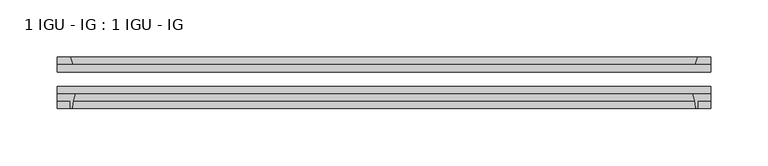
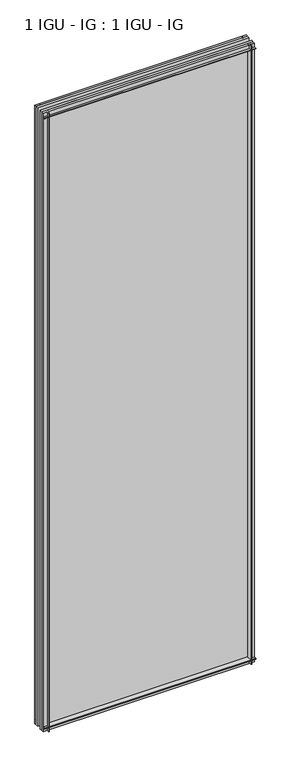
"""IFC4 building model written with IfcOpenShell, lengths in millimetres: plate geometry, 1 IGU - IG : 1 IGU - IG."""

from ifc_helpers import new_model, si_unit, point, frame, frame_2d, origin, place, context, project, spatial, polyline, circle_curve, trimmed, segment, composite_curve, outline, extrude, source, transform, mapped, element, save


def plate_1_igu_ig_1_igu_ig_84306331(model_context):
    return source(origin(), model_context, "Body", "SweptSolid", [
        extrude(outline(polyline([(284.1625, -31.75), (284.1625, -38.1), (-284.1625, -38.1), (-284.1625, -31.75), (284.1625, -31.75)])), frame((0.0, 0.0, -11.1125), z_axis=(0.0, 0.0, 1.0), x_axis=(1.0, 0.0, 0.0)), (0.0, 0.0, 1.0), 1755.775),
        extrude(outline(polyline([(-284.1625, -12.7), (284.1625, -12.7), (284.1625, -19.05), (-284.1625, -19.05), (-284.1625, -12.7)])), frame((0.0, 0.0, -11.1125), z_axis=(0.0, 0.0, 1.0), x_axis=(1.0, 0.0, 0.0)), (0.0, 0.0, 1.0), 1755.775),
        extrude(outline(composite_curve([segment(polyline([(-284.1625, -38.1), (-268.8688207, -38.1)]), True, "CONTINUOUS"), segment(trimmed(circle_curve(frame_2d((-225.6098044, -53.3794536)), 45.8781451), [point((-268.8688207, -38.1))], [point((-271.3700572, -50.0925922))], True, "CARTESIAN"), True, "CONTINUOUS"), segment(trimmed(circle_curve(frame_2d((-272.1300991, -50.038)), 0.762), [point((-271.3700572, -50.0925922))], [point((-272.1300991, -50.8))], False, "CARTESIAN"), True, "CONTINUOUS"), segment(polyline([(-272.1300991, -50.8), (-273.05, -50.8), (-273.05, -44.45), (-284.1625, -44.45), (-284.1625, -38.1)]), True, "CONTINUOUS")], self_intersect=False)), frame((0.0, 0.0, -11.1125), z_axis=(0.0, 0.0, 1.0), x_axis=(1.0, 0.0, 0.0)), (0.0, 0.0, 1.0), 1755.775),
        extrude(outline(polyline([(-270.9447229, -12.7), (-284.1625, -12.7), (-284.1625, -6.35), (-273.05, -6.35), (-270.9447229, -12.7)])), frame((0.0, 0.0, -11.1125), z_axis=(0.0, 0.0, 1.0), x_axis=(1.0, 0.0, 0.0)), (0.0, 0.0, 1.0), 1755.775),
        extrude(outline(polyline([(284.1625, -12.7), (270.9447229, -12.7), (273.05, -6.35), (284.1625, -6.35), (284.1625, -12.7)])), frame((0.0, 0.0, -11.1125), z_axis=(0.0, 0.0, 1.0), x_axis=(1.0, 0.0, 0.0)), (0.0, 0.0, 1.0), 1755.775),
        extrude(outline(composite_curve([segment(polyline([(268.8688207, -38.1), (284.1625, -38.1), (284.1625, -44.45), (273.05, -44.45), (273.05, -50.8), (272.1300991, -50.8)]), True, "CONTINUOUS"), segment(trimmed(circle_curve(frame_2d((272.1300991, -50.038)), 0.762), [point((272.1300991, -50.8))], [point((271.3700572, -50.0925922))], False, "CARTESIAN"), True, "CONTINUOUS"), segment(trimmed(circle_curve(frame_2d((225.6098044, -53.3794536)), 45.8781451), [point((271.3700572, -50.0925922))], [point((268.8688207, -38.1))], True, "CARTESIAN"), True, "CONTINUOUS")], self_intersect=False)), frame((0.0, 0.0, -11.1125), z_axis=(0.0, 0.0, 1.0), x_axis=(1.0, 0.0, 0.0)), (0.0, 0.0, 1.0), 1755.775),
        extrude(outline(polyline([(-12.7, -11.1125), (-12.7, 2.1052771), (-6.35, 0.0), (-6.35, -11.1125), (-12.7, -11.1125)])), frame((-284.1625, 0.0, 0.0), z_axis=(1.0, 0.0, 0.0), x_axis=(0.0, 1.0, 0.0)), (0.0, 0.0, 1.0), 568.325),
        extrude(outline(composite_curve([segment(polyline([(-38.1, 4.1811793), (-38.1, -11.1125), (-44.45, -11.1125), (-44.45, 0.0), (-50.8, 0.0), (-50.8, 0.9199009)]), True, "CONTINUOUS"), segment(trimmed(circle_curve(frame_2d((-50.038, 0.9199009)), 0.762), [point((-50.8, 0.9199009))], [point((-50.0925922, 1.6799428))], False, "CARTESIAN"), True, "CONTINUOUS"), segment(trimmed(circle_curve(frame_2d((-53.3794536, 47.4401956)), 45.8781451), [point((-50.0925922, 1.6799428))], [point((-38.1, 4.1811793))], True, "CARTESIAN"), True, "CONTINUOUS")], self_intersect=False)), frame((-284.1625, 0.0, 0.0), z_axis=(1.0, 0.0, 0.0), x_axis=(0.0, 1.0, 0.0)), (0.0, 0.0, 1.0), 568.325),
        extrude(outline(polyline([(-6.35, 1733.55), (-12.7, 1731.4447229), (-12.7, 1744.6625), (-6.35, 1744.6625), (-6.35, 1733.55)])), frame((-284.1625, 0.0, 0.0), z_axis=(1.0, 0.0, 0.0), x_axis=(0.0, 1.0, 0.0)), (0.0, 0.0, 1.0), 568.325),
        extrude(outline(composite_curve([segment(polyline([(-38.1, 1744.6625), (-38.1, 1729.3688207)]), True, "CONTINUOUS"), segment(trimmed(circle_curve(frame_2d((-53.3794536, 1686.1098044)), 45.8781451), [point((-38.1, 1729.3688207))], [point((-50.0925922, 1731.8700572))], True, "CARTESIAN"), True, "CONTINUOUS"), segment(trimmed(circle_curve(frame_2d((-50.038, 1732.6300991)), 0.762), [point((-50.0925922, 1731.8700572))], [point((-50.8, 1732.6300991))], False, "CARTESIAN"), True, "CONTINUOUS"), segment(polyline([(-50.8, 1732.6300991), (-50.8, 1733.55), (-44.45, 1733.55), (-44.45, 1744.6625), (-38.1, 1744.6625)]), True, "CONTINUOUS")], self_intersect=False)), frame((-284.1625, 0.0, 0.0), z_axis=(1.0, 0.0, 0.0), x_axis=(0.0, 1.0, 0.0)), (0.0, 0.0, 1.0), 568.325),
    ])


if __name__ == "__main__":
    model = new_model("IFC4")
    model_context = context("Model", 3, world=origin())
    ifc_project = project(units=[si_unit("LENGTHUNIT", "METRE", prefix="MILLI")], contexts=[model_context])
    site = spatial("IfcSite", under=ifc_project)
    building = spatial("IfcBuilding", under=site)
    placement = place(None, origin())
    plate_1_igu_ig_1_igu_ig_shape = plate_1_igu_ig_1_igu_ig_84306331(model_context)
    element("IfcPlate", 1, ObjectType="1 IGU - IG : 1 IGU - IG", at=placement, inside=building, context=model_context, shape_type="MappedRepresentation", body=[
        mapped(plate_1_igu_ig_1_igu_ig_shape, transform((0.0, 0.0, 0.0), x_axis=(1.0, 0.0, 0.0), y_axis=(0.0, 1.0, 0.0), z_axis=(0.0, 0.0, 1.0))),
    ])
    save(model, "model.ifc")
